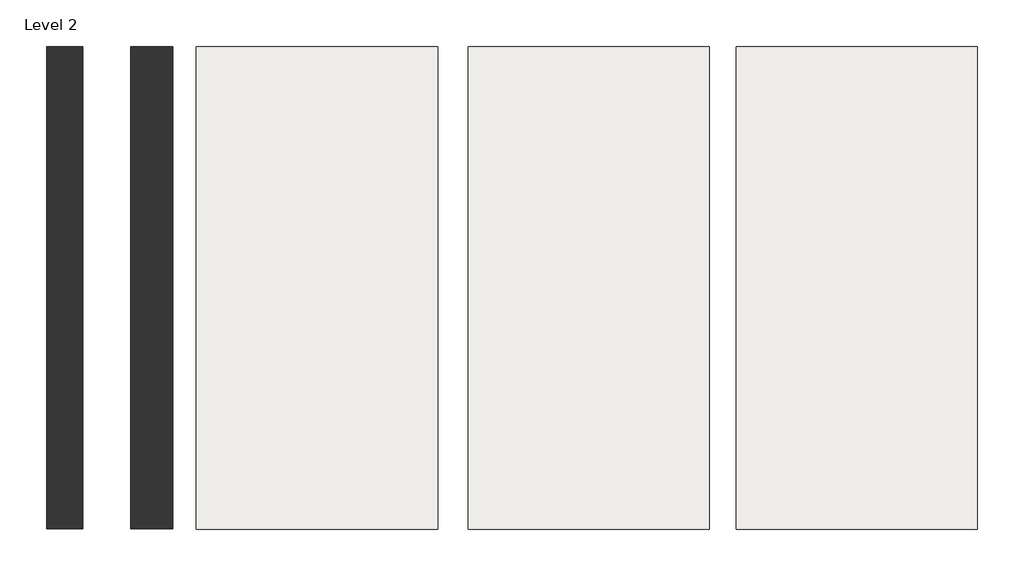
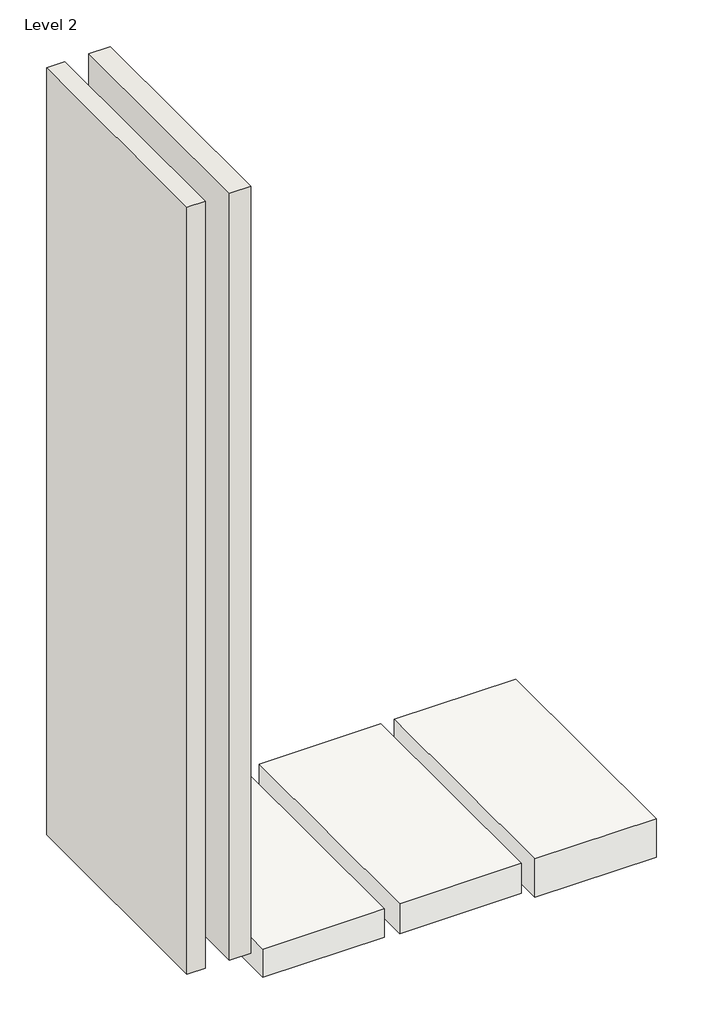
# One storey: 3 slabs, 2 walls.
"""IFC4 building model written with IfcOpenShell, lengths in millimetres."""

from ifc_helpers import new_model, si_unit, frame, origin, place, context, project, spatial, polyline, outline, extrude, element, save

model = new_model("IFC4")

# Units and contexts
model_context = context("Model", 3, world=origin())
ifc_project = project(units=[si_unit("LENGTHUNIT", "METRE", prefix="MILLI")], contexts=[model_context])

# Site, building, storey
site = spatial("IfcSite", under=ifc_project)
building = spatial("IfcBuilding", under=site)
storey = spatial("IfcBuildingStorey", under=building, Name="Level 2", Elevation=3048.0)

# Slabs
placement = place(None, origin())
element("IfcSlab", 1, at=placement, inside=storey, context=model_context, shape_type="SweptSolid", body=[
    extrude(outline(polyline([(-7652.6679797, 1454.7763327), (-7652.6679797, -374.0236673), (-8567.0679797, -374.0236673), (-8567.0679797, 1454.7763327), (-7652.6679797, 1454.7763327)])), frame((0.0, 0.0, 2822.575), z_axis=(0.0, 0.0, 1.0), x_axis=(1.0, 0.0, 0.0)), (0.0, 0.0, 1.0), 225.425),
])
element("IfcSlab", 2, at=placement, inside=storey, context=model_context, shape_type="SweptSolid", body=[
    extrude(outline(polyline([(-6622.3804797, 1454.7763327), (-6622.3804797, -374.0236673), (-7536.7804797, -374.0236673), (-7536.7804797, 1454.7763327), (-6622.3804797, 1454.7763327)])), frame((0.0, 0.0, 2809.875), z_axis=(0.0, 0.0, 1.0), x_axis=(1.0, 0.0, 0.0)), (0.0, 0.0, 1.0), 238.125),
])
element("IfcSlab", 3, at=placement, inside=storey, context=model_context, shape_type="SweptSolid", body=[
    extrude(outline(polyline([(-5606.3804797, 1454.7763327), (-5606.3804797, -374.0236673), (-6520.7804797, -374.0236673), (-6520.7804797, 1454.7763327), (-5606.3804797, 1454.7763327)])), frame((0.0, 0.0, 2743.2), z_axis=(0.0, 0.0, 1.0), x_axis=(1.0, 0.0, 0.0)), (0.0, 0.0, 1.0), 304.8),
])

# Walls
element("IfcWall", 4, at=placement, inside=storey, context=model_context, shape_type="SweptSolid", body=[
    extrude(outline(polyline([(-8816.3054797, -374.0236673), (-8816.3054797, 1454.7763327), (-8657.5554797, 1454.7763327), (-8657.5554797, -374.0236673), (-8816.3054797, -374.0236673)])), frame((0.0, 0.0, 3048.0), z_axis=(0.0, 0.0, 1.0), x_axis=(1.0, 0.0, 0.0)), (0.0, 0.0, 1.0), 6096.0),
])
element("IfcWall", 5, at=placement, inside=storey, context=model_context, shape_type="SweptSolid", body=[
    extrude(outline(polyline([(-9135.3929797, -374.0236673), (-9135.3929797, 1454.7763327), (-8998.8679797, 1454.7763327), (-8998.8679797, -374.0236673), (-9135.3929797, -374.0236673)])), frame((0.0, 0.0, 3048.0), z_axis=(0.0, 0.0, 1.0), x_axis=(1.0, 0.0, 0.0)), (0.0, 0.0, 1.0), 6096.0),
])

save(model, "model.ifc")
